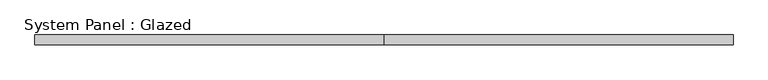
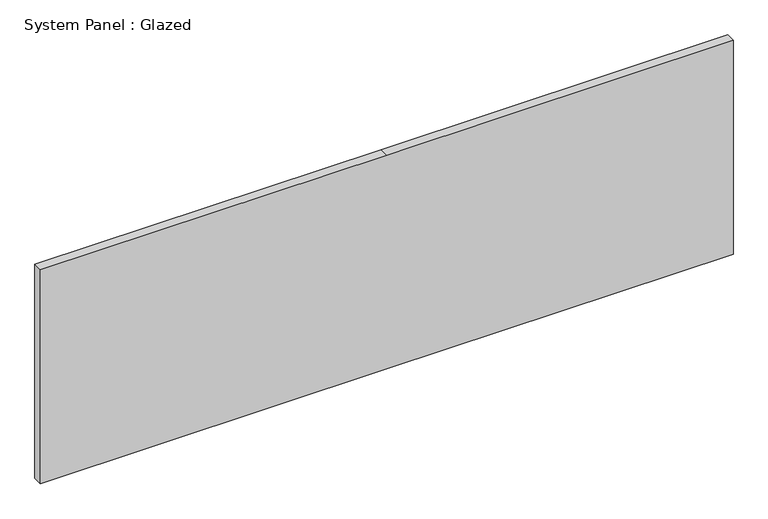
"""IFC4 building model written with IfcOpenShell, lengths in millimetres: plate geometry, System Panel : Glazed."""

from ifc_helpers import new_model, si_unit, frame, origin, place, context, project, spatial, polyline, outline, extrude, source, transform, mapped, element, save


def system_panel_glazed_bdce5a92(model_context):
    return source(origin(), model_context, "Body", "SweptSolid", [
        extrude(outline(polyline([(0.0, -914.4), (0.0, 0.0), (0.0, 914.4), (596.9, 914.4), (596.9, 0.0), (596.9, -914.4), (0.0, -914.4)])), frame((0.0, 19.05, 0.0), z_axis=(0.0, 1.0, 0.0), x_axis=(0.0, 0.0, 1.0)), (0.0, 0.0, 1.0), 25.4),
    ])


if __name__ == "__main__":
    model = new_model("IFC4")
    model_context = context("Model", 3, world=origin())
    ifc_project = project(units=[si_unit("LENGTHUNIT", "METRE", prefix="MILLI")], contexts=[model_context])
    site = spatial("IfcSite", under=ifc_project)
    building = spatial("IfcBuilding", under=site)
    placement = place(None, origin())
    system_panel_glazed_shape = system_panel_glazed_bdce5a92(model_context)
    element("IfcPlate", 1, ObjectType="System Panel : Glazed", at=placement, inside=building, context=model_context, shape_type="MappedRepresentation", body=[
        mapped(system_panel_glazed_shape, transform((0.0, 0.0, 0.0), x_axis=(1.0, 0.0, 0.0), y_axis=(0.0, 1.0, 0.0), z_axis=(0.0, 0.0, 1.0))),
    ])
    save(model, "model.ifc")
